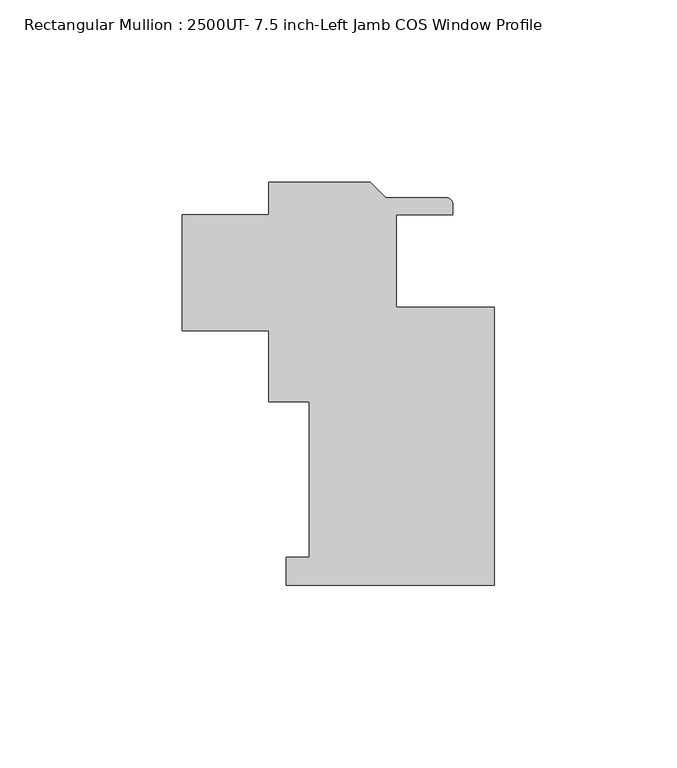
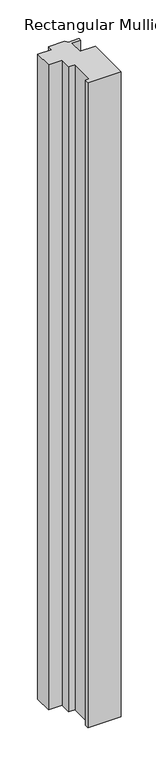
"""IFC4 building model written with IfcOpenShell, lengths in millimetres: member geometry, Rectangular Mullion : 2500UT- 7.5 inch-Left Jamb COS Window Profile."""

from ifc_helpers import new_model, si_unit, point, frame, frame_2d, origin, place, context, project, spatial, polyline, circle_curve, trimmed, segment, composite_curve, outline, extrude, source, transform, mapped, element, save


def rectangular_mullion_2500ut_7_5_inch_left_jamb_cos_window_63ff07d6(model_context):
    return source(origin(), model_context, "Body", "SweptSolid", [
        extrude(outline(composite_curve([segment(polyline([(61.9087916, -88.737276), (4.7587917, -88.737276), (4.7587917, -81.118075), (11.1087917, -81.118075), (11.1087917, -38.414325), (-0.0037083, -38.414325), (-0.0037083, -18.887281), (-23.7998, -18.887281), (-23.7998, 12.862719), (0.0, 12.862719), (0.0, 21.828125), (27.7727335, 21.828125), (32.0399335, 17.560925), (48.6444413, 17.560925)]), True, "CONTINUOUS"), segment(trimmed(circle_curve(frame_2d((48.6444413, 15.782925)), 1.778), [point((48.6444413, 17.560925))], [point((50.4224413, 15.782925))], False, "CARTESIAN"), True, "CONTINUOUS"), segment(polyline([(50.4224413, 15.782925), (50.4224413, 12.8619249), (34.9212917, 12.8619249), (34.9212917, -12.537276), (61.9087916, -12.537276), (61.9087916, -88.737276)]), True, "CONTINUOUS")], self_intersect=False)), frame((0.0, 0.0, -1178.70605), z_axis=(0.0, 0.0, 1.0), x_axis=(1.0, 0.0, 0.0)), (0.0, 0.0, 1.0), 1178.70605),
    ])


if __name__ == "__main__":
    model = new_model("IFC4")
    model_context = context("Model", 3, world=origin())
    ifc_project = project(units=[si_unit("LENGTHUNIT", "METRE", prefix="MILLI")], contexts=[model_context])
    site = spatial("IfcSite", under=ifc_project)
    building = spatial("IfcBuilding", under=site)
    placement = place(None, origin())
    rectangular_mullion_2500ut_7_5_inch_left_jamb_cos_window_shape = rectangular_mullion_2500ut_7_5_inch_left_jamb_cos_window_63ff07d6(model_context)
    element("IfcMember", 1, ObjectType="Rectangular Mullion : 2500UT- 7.5 inch-Left Jamb COS Window Profile", at=placement, inside=building, context=model_context, shape_type="MappedRepresentation", body=[
        mapped(rectangular_mullion_2500ut_7_5_inch_left_jamb_cos_window_shape, transform((0.0, 0.0, 0.0), x_axis=(1.0, 0.0, 0.0), y_axis=(0.0, 1.0, 0.0), z_axis=(0.0, 0.0, 1.0))),
    ])
    save(model, "model.ifc")
